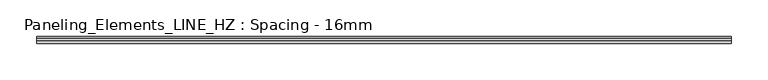
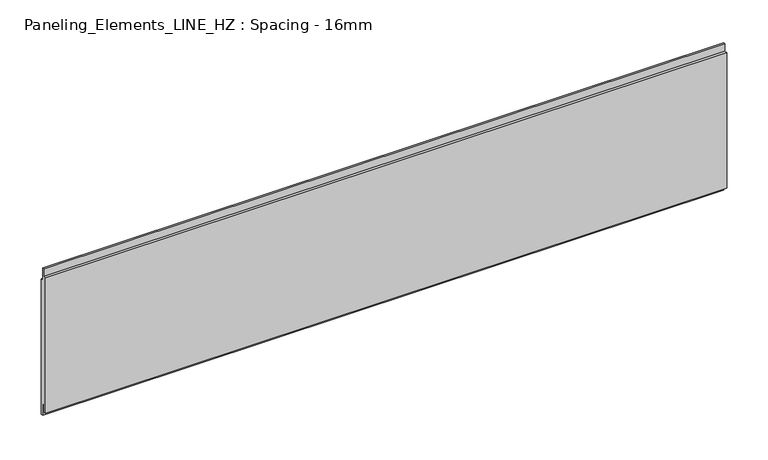
"""IFC4 building model written with IfcOpenShell, lengths in millimetres: plate geometry, Paneling_Elements_LINE_HZ : Spacing - 16mm."""

from ifc_helpers import new_model, si_unit, frame, origin, place, context, project, spatial, polyline, outline, extrude, source, transform, mapped, element, save


def paneling_elements_line_hz_spacing_16mm_b8d2facd(model_context):
    return source(origin(), model_context, "Body", "SweptSolid", [
        extrude(outline(polyline([(-1.0, 211.0), (2.0, 211.0), (2.0, 193.0), (5.0, 193.0), (5.0, -7.0), (2.0, -7.0), (2.0, 11.0), (-1.0, 11.0), (-1.0, 0.0), (-5.0, 0.0), (-5.0, 200.0), (-1.0, 200.0), (-1.0, 211.0)])), frame((-475.5, 0.0, 0.0), z_axis=(1.0, 0.0, 0.0), x_axis=(0.0, 1.0, 0.0)), (0.0, 0.0, 1.0), 951.0),
    ])


if __name__ == "__main__":
    model = new_model("IFC4")
    model_context = context("Model", 3, world=origin())
    ifc_project = project(units=[si_unit("LENGTHUNIT", "METRE", prefix="MILLI")], contexts=[model_context])
    site = spatial("IfcSite", under=ifc_project)
    building = spatial("IfcBuilding", under=site)
    placement = place(None, origin())
    paneling_elements_line_hz_spacing_16mm_shape = paneling_elements_line_hz_spacing_16mm_b8d2facd(model_context)
    element("IfcPlate", 1, ObjectType="Paneling_Elements_LINE_HZ : Spacing - 16mm", at=placement, inside=building, context=model_context, shape_type="MappedRepresentation", body=[
        mapped(paneling_elements_line_hz_spacing_16mm_shape, transform((0.0, 0.0, 0.0), x_axis=(1.0, 0.0, 0.0), y_axis=(0.0, 1.0, 0.0), z_axis=(0.0, 0.0, 1.0))),
    ])
    save(model, "model.ifc")
